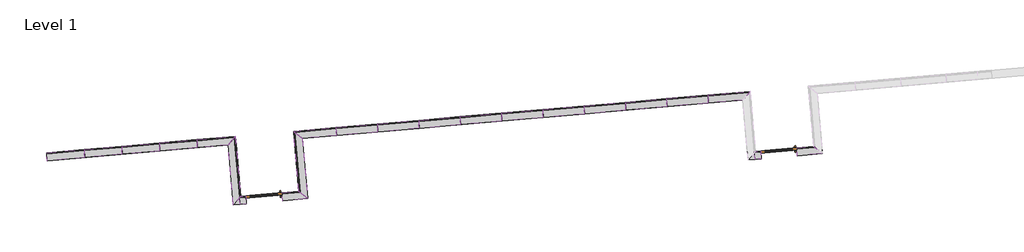
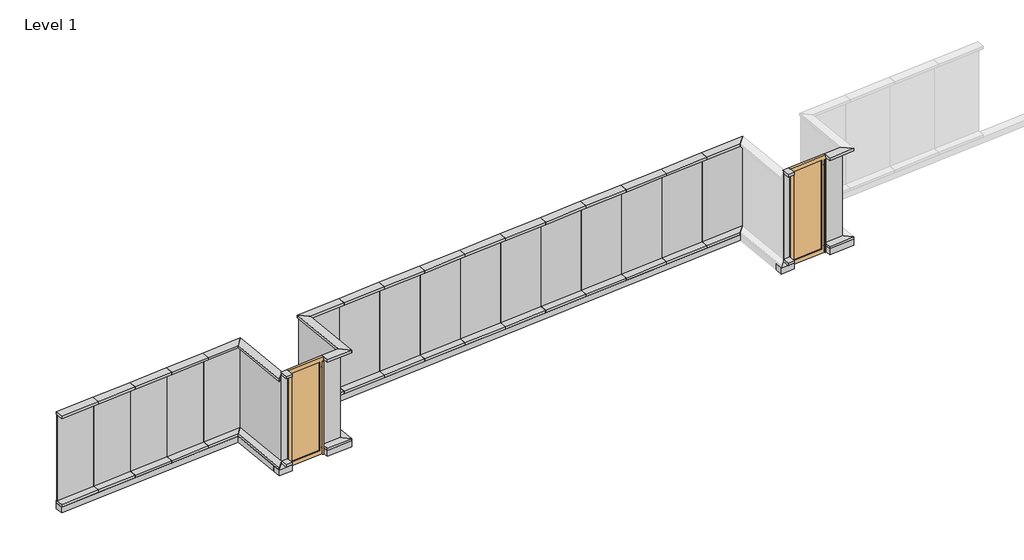
# One storey, part 1 of 2: 44 members, 30 plates, 2 doors.
"""IFC4 building model written with IfcOpenShell, lengths in millimetres."""

import ifcopenshell
import ifcopenshell.guid

model = None  # the IFC model being written
_history = None  # IfcOwnerHistory: only IFC2X3 demands one
_inside = {}  # id of a spatial element -> (the spatial element, [elements in it])
_under = {}  # id of a project, library or spatial element -> (it, [spatial elements below it])
_declared = {}  # id of a project -> (the project, [libraries it declares])
_typed = {}  # id of a type object -> (the type object, [elements of that type])
_made_of = {}  # id of a material, layer set ... -> (it, [elements and type objects made of it])


def new_model(schema):
    """Start an empty IFC model of exactly this schema.

    Asked for "IFC4X3", IfcOpenShell would pick the latest addendum, in which some entities
    have other attributes; the version numbers below select the first issue.
    IFC2X3 requires an IfcOwnerHistory on every rooted entity: one is made here for all.
    """
    global model, _history
    if schema == "IFC4X3":
        model = ifcopenshell.file(schema_version=(4, 3, 0, 0))
    else:
        model = ifcopenshell.file(schema=schema)
    _inside.clear()
    _under.clear()
    _declared.clear()
    _typed.clear()
    _made_of.clear()
    _history = None
    if model.schema == "IFC2X3":
        org = make("IfcOrganization", Name="unknown")
        user = make(
            "IfcPersonAndOrganization",
            ThePerson=make("IfcPerson", FamilyName="unknown"),
            TheOrganization=org,
        )
        app = make(
            "IfcApplication",
            ApplicationDeveloper=org,
            Version="unknown",
            ApplicationFullName="unknown",
            ApplicationIdentifier="unknown",
        )
        _history = make(
            "IfcOwnerHistory",
            OwningUser=user,
            OwningApplication=app,
            ChangeAction="ADDED",
            CreationDate=0,
        )
    return model


def make(cls, **values):
    """One entity of the class cls with the attributes given. An attribute that is None is left unset."""
    return model.create_entity(
        cls, **{name: value for name, value in values.items() if value is not None}
    )


def rooted(cls, **values):
    """An entity with a GlobalId (a new one), such as an element, a storey or a relation."""
    return make(cls, GlobalId=ifcopenshell.guid.new(), OwnerHistory=_history, **values)


def si_unit(unit_type, name, prefix=None):
    """IfcSIUnit, for example si_unit("LENGTHUNIT", "METRE", prefix="MILLI")."""
    return make("IfcSIUnit", UnitType=unit_type, Prefix=prefix, Name=name)


def assignment(units):
    """IfcUnitAssignment: the units of a project."""
    return None if units is None else make("IfcUnitAssignment", Units=units)


def point(xyz):
    """IfcCartesianPoint."""
    return None if xyz is None else make("IfcCartesianPoint", Coordinates=xyz)


def direction(xyz):
    """IfcDirection."""
    return None if xyz is None else make("IfcDirection", DirectionRatios=xyz)


def frame(location, z_axis=None, x_axis=None):
    """IfcAxis2Placement3D, a coordinate frame: its origin and axes. An axis left out is left unset."""
    return make(
        "IfcAxis2Placement3D",
        Location=point(location),
        Axis=direction(z_axis),
        RefDirection=direction(x_axis),
    )


def frame_2d(location, x_axis=None):
    """IfcAxis2Placement2D, a coordinate frame in the plane: its origin and x axis."""
    return make(
        "IfcAxis2Placement2D", Location=point(location), RefDirection=direction(x_axis)
    )


def origin():
    """The frame at (0, 0, 0) with its axes left unset."""
    return frame((0.0, 0.0, 0.0))


def origin_with_axes():
    """The frame at (0, 0, 0) with the z axis (0, 0, 1) and the x axis (1, 0, 0) written out."""
    return frame((0.0, 0.0, 0.0), z_axis=(0.0, 0.0, 1.0), x_axis=(1.0, 0.0, 0.0))


def place(relative_to, where):
    """IfcLocalPlacement: puts the frame where relative to a parent placement (None: the world)."""
    return make(
        "IfcLocalPlacement", PlacementRelTo=relative_to, RelativePlacement=where
    )


def context(
    kind, dimensions, precision=None, world=None, true_north=None, identifier=None
):
    """IfcGeometricRepresentationContext, for example the 3D "Model" context."""
    return make(
        "IfcGeometricRepresentationContext",
        ContextIdentifier=identifier,
        ContextType=kind,
        CoordinateSpaceDimension=dimensions,
        Precision=precision,
        WorldCoordinateSystem=world,
        TrueNorth=true_north,
    )


def project(units=None, contexts=None):
    """IfcProject with its units and contexts."""
    return rooted(
        "IfcProject",
        Name="project",
        RepresentationContexts=contexts,
        UnitsInContext=assignment(units),
    )


def spatial(cls, under=None, at=None, **own):
    """A site, building, storey or space (cls), placed at a placement, below another one or the project."""
    s = rooted(cls, ObjectPlacement=at, **own)
    if under is not None:
        _under.setdefault(under.id(), (under, []))[1].append(s)
    return s


def polyline(points):
    """IfcPolyline through the points."""
    return make("IfcPolyline", Points=[point(p) for p in points])


def circle_curve(where, radius):
    """IfcCircle in the frame where."""
    return make("IfcCircle", Position=where, Radius=radius)


def trimmed(basis, trim1, trim2, sense, master):
    """IfcTrimmedCurve: the piece of a basis curve between two trims."""
    return make(
        "IfcTrimmedCurve",
        BasisCurve=basis,
        Trim1=trim1,
        Trim2=trim2,
        SenseAgreement=sense,
        MasterRepresentation=master,
    )


def segment(curve, same_sense, transition):
    """IfcCompositeCurveSegment."""
    return make(
        "IfcCompositeCurveSegment",
        Transition=transition,
        SameSense=same_sense,
        ParentCurve=curve,
    )


def composite_curve(segments, self_intersect=None):
    """IfcCompositeCurve: segments joined end to end."""
    return make("IfcCompositeCurve", Segments=segments, SelfIntersect=self_intersect)


def outline(outer, holes=None, kind="AREA"):
    """IfcArbitraryClosedProfileDef: a profile drawn as a closed curve; with holes, ...WithVoids."""
    if holes is None:
        return make("IfcArbitraryClosedProfileDef", ProfileType=kind, OuterCurve=outer)
    return make(
        "IfcArbitraryProfileDefWithVoids",
        ProfileType=kind,
        OuterCurve=outer,
        InnerCurves=holes,
    )


def extrude(swept, where, along, depth):
    """IfcExtrudedAreaSolid: the profile swept, set in the frame where, extruded along a direction by depth."""
    return make(
        "IfcExtrudedAreaSolid",
        SweptArea=swept,
        Position=where,
        ExtrudedDirection=direction(along),
        Depth=depth,
    )


def faces_of(points, faces, orient=None, outer=None):
    """IfcFace entities. A face is a list of loops; a loop is a list of indices into points, from 0.

    orient and outer hold one flag for each loop. By default every Orientation is true, the
    first loop of a face is its IfcFaceOuterBound and the others are IfcFaceBound.
    """
    made = []
    for i, loops in enumerate(faces):
        bounds = []
        for j, loop in enumerate(loops):
            is_outer = j == 0 if outer is None else outer[i][j]
            bounds.append(
                make(
                    "IfcFaceOuterBound" if is_outer else "IfcFaceBound",
                    Bound=make("IfcPolyLoop", Polygon=[points[k] for k in loop]),
                    Orientation=True if orient is None else orient[i][j],
                )
            )
        made.append(make("IfcFace", Bounds=bounds))
    return made


def faceted_brep(points, faces, orient=None, outer=None, voids=None):
    """IfcFacetedBrep: a solid bounded by flat faces; with voids (closed shells), ...WithVoids."""
    shared = [point(p) for p in points]
    hull = make("IfcClosedShell", CfsFaces=faces_of(shared, faces, orient, outer))
    if voids is None:
        return make("IfcFacetedBrep", Outer=hull)
    return make(
        "IfcFacetedBrepWithVoids",
        Outer=hull,
        Voids=[
            make(cls, CfsFaces=faces_of(shared, fs, o, b)) for cls, fs, o, b in voids
        ],
    )


def shape(context_of_items, identifier, shape_type, items):
    """IfcShapeRepresentation: the items that make up one representation, for example the "Body"."""
    return make(
        "IfcShapeRepresentation",
        ContextOfItems=context_of_items,
        RepresentationIdentifier=identifier,
        RepresentationType=shape_type,
        Items=items,
    )


def source(mapping_origin, context_of_items, identifier, shape_type, items):
    """IfcRepresentationMap: a shape defined once, which mapped items show again and again."""
    return make(
        "IfcRepresentationMap",
        MappingOrigin=mapping_origin,
        MappedRepresentation=shape(context_of_items, identifier, shape_type, items),
    )


def transform(
    local_origin,
    x_axis=None,
    y_axis=None,
    z_axis=None,
    scale=None,
    scale2=None,
    scale3=None,
    uniform=True,
):
    """IfcCartesianTransformationOperator3D, or its non-uniform kind. x_axis, y_axis, z_axis: its Axis1, 2, 3."""
    if uniform:
        return make(
            "IfcCartesianTransformationOperator3D",
            Axis1=direction(x_axis),
            Axis2=direction(y_axis),
            LocalOrigin=point(local_origin),
            Scale=scale,
            Axis3=direction(z_axis),
        )
    return make(
        "IfcCartesianTransformationOperator3DnonUniform",
        Axis1=direction(x_axis),
        Axis2=direction(y_axis),
        LocalOrigin=point(local_origin),
        Scale=scale,
        Axis3=direction(z_axis),
        Scale2=scale2,
        Scale3=scale3,
    )


def mapped(mapping_source, mapping_target):
    """IfcMappedItem: shows the shape of a source again, moved by a transform."""
    return make(
        "IfcMappedItem", MappingSource=mapping_source, MappingTarget=mapping_target
    )


def made_of(thing, what):
    """Note that an element or type object is made of a material, layer set ...; save() writes the relation."""
    if what is not None:
        _made_of.setdefault(what.id(), (what, []))[1].append(thing)
    return thing


def element(
    cls,
    number,
    at=None,
    inside=None,
    cuts=None,
    type_object=None,
    material=None,
    context=None,
    identifier="Body",
    shape_type=None,
    held_by="IfcProductDefinitionShape",
    body=None,
    shapes=None,
    **own,
):
    """One element of the class cls, such as IfcWall. Its Tag is "e" and its number.

    at: its placement. inside: the storey or other place that contains it. cuts: it is an
    opening in that element (IfcRelVoidsElement). A single representation is given by context,
    identifier, shape_type and body (its items); several are given by shapes. held_by: the class
    of the entity that holds the representations. save() writes the other relations.
    """
    e = rooted(cls, Tag="e%d" % number, ObjectPlacement=at, **own)
    if body is not None:
        shapes = [shape(context, identifier, shape_type, body)]
    if shapes is not None:
        e.Representation = make(held_by, Representations=shapes)
    if inside is not None:
        _inside.setdefault(inside.id(), (inside, []))[1].append(e)
    if cuts is not None:
        rooted(
            "IfcRelVoidsElement", RelatingBuildingElement=cuts, RelatedOpeningElement=e
        )
    if type_object is not None:
        _typed.setdefault(type_object.id(), (type_object, []))[1].append(e)
    return made_of(e, material)


def aggregate(whole, parts):
    """IfcRelAggregates: a whole, such as a stair, and the parts it consists of."""
    return rooted("IfcRelAggregates", RelatingObject=whole, RelatedObjects=parts)


def save(model, path):
    """Write the relations noted so far, then the file.

    IfcRelAggregates (storeys below a building ...), IfcRelContainedInSpatialStructure (elements
    in a storey), IfcRelDefinesByType, IfcRelAssociatesMaterial and IfcRelDeclares: one each for
    every whole, place, type object, material and project.
    """
    for whole, parts in _under.values():
        aggregate(whole, parts)
    for where, things in _inside.values():
        rooted(
            "IfcRelContainedInSpatialStructure",
            RelatedElements=things,
            RelatingStructure=where,
        )
    for kind, things in _typed.values():
        rooted("IfcRelDefinesByType", RelatedObjects=things, RelatingType=kind)
    for what, things in _made_of.values():
        rooted("IfcRelAssociatesMaterial", RelatedObjects=things, RelatingMaterial=what)
    for by, libraries in _declared.values():
        rooted("IfcRelDeclares", RelatingContext=by, RelatedDefinitions=libraries)
    model.write(path)


def default_exterior_e820c0bc(model_context):
    return source(origin(), model_context, "Body", "SweptSolid", [
        extrude(outline(composite_curve([segment(trimmed(circle_curve(frame_2d((2260.6, -419.4)), 15.875), [point((2260.6, -435.275))], [point((2260.6, -403.525))], False, "CARTESIAN"), True, "CONTINUOUS"), segment(trimmed(circle_curve(frame_2d((2260.6, -419.4)), 15.875), [point((2260.6, -403.525))], [point((2260.6, -435.275))], False, "CARTESIAN"), True, "CONTINUOUS")], self_intersect=False)), frame((0.0, -69.7914438, 0.0), z_axis=(0.0, 1.0, 0.0), x_axis=(0.0, 0.0, 1.0)), (0.0, 0.0, 1.0), 139.7),
        extrude(outline(composite_curve([segment(trimmed(circle_curve(frame_2d((177.8, -419.4)), 15.875), [point((177.8, -435.275))], [point((177.8, -403.525))], False, "CARTESIAN"), True, "CONTINUOUS"), segment(trimmed(circle_curve(frame_2d((177.8, -419.4)), 15.875), [point((177.8, -403.525))], [point((177.8, -435.275))], False, "CARTESIAN"), True, "CONTINUOUS")], self_intersect=False)), frame((0.0, -69.7914438, 0.0), z_axis=(0.0, 1.0, 0.0), x_axis=(0.0, 0.0, 1.0)), (0.0, 0.0, 1.0), 139.7),
        extrude(outline(composite_curve([segment(trimmed(circle_curve(frame_2d((-419.4, -69.7914438)), 15.875), [point((-435.275, -69.7914438))], [point((-403.525, -69.7914438))], False, "CARTESIAN"), True, "CONTINUOUS"), segment(trimmed(circle_curve(frame_2d((-419.4, -69.7914438)), 15.875), [point((-403.525, -69.7914438))], [point((-435.275, -69.7914438))], False, "CARTESIAN"), True, "CONTINUOUS")], self_intersect=False)), frame((0.0, 0.0, 25.4), z_axis=(0.0, 0.0, 1.0), x_axis=(1.0, 0.0, 0.0)), (0.0, 0.0, 1.0), 2387.6),
        extrude(outline(composite_curve([segment(trimmed(circle_curve(frame_2d((-419.4, 69.9085562)), 15.875), [point((-435.275, 69.9085562))], [point((-403.525, 69.9085562))], False, "CARTESIAN"), True, "CONTINUOUS"), segment(trimmed(circle_curve(frame_2d((-419.4, 69.9085562)), 15.875), [point((-403.525, 69.9085562))], [point((-435.275, 69.9085562))], False, "CARTESIAN"), True, "CONTINUOUS")], self_intersect=False)), frame((0.0, 0.0, 25.4), z_axis=(0.0, 0.0, 1.0), x_axis=(1.0, 0.0, 0.0)), (0.0, 0.0, 1.0), 2387.6),
        extrude(outline(polyline([(2500.0, -457.5), (0.0, -457.5), (0.0, 457.5), (2500.0, 457.5), (2500.0, -457.5)]), holes=[polyline([(2398.4, -355.9), (2398.4, 355.9), (101.6, 355.9), (101.6, -355.9), (2398.4, -355.9)])]), frame((0.0, -28.5164438, 0.0), z_axis=(0.0, 1.0, 0.0), x_axis=(0.0, 0.0, 1.0)), (0.0, 0.0, 1.0), 57.15),
        extrude(outline(polyline([(355.9, -6.2914438), (-355.9, -6.2914438), (-355.9, 6.4085562), (355.9, 6.4085562), (355.9, -6.2914438)])), frame((0.0, 0.0, 101.6), z_axis=(0.0, 0.0, 1.0), x_axis=(1.0, 0.0, 0.0)), (0.0, 0.0, 1.0), 2296.8),
    ])


def member_bf1dcb7f(model_context):
    return source(origin(), model_context, "Body", "SweptSolid", [
        extrude(outline(polyline([(-174.2, 0.0), (25.8, 0.0), (25.8, -427.5651583), (-174.2, -627.5651583), (-174.2, 0.0)])), frame((-31.75, 0.0, 0.0), z_axis=(1.0, 0.0, 0.0), x_axis=(0.0, 1.0, 0.0)), (0.0, 0.0, 1.0), 63.5),
    ])


def member_de4b496f(model_context):
    return source(origin(), model_context, "Body", "SweptSolid", [
        extrude(outline(polyline([(-174.2, 0.0), (25.8, 0.0), (25.8, -427.5651583), (-174.2, -627.5651583), (-174.2, 0.0)])), frame((-63.5, 0.0, 0.0), z_axis=(1.0, 0.0, 0.0), x_axis=(0.0, 1.0, 0.0)), (0.0, 0.0, 1.0), 63.5),
    ])


def member_f85960a3(model_context):
    return source(origin(), model_context, "Body", "SweptSolid", [
        extrude(outline(polyline([(-174.2, 0.0), (25.8, 0.0), (25.8, -1069.0727273), (-174.2, -869.0727273), (-174.2, 0.0)])), frame((-31.75, 0.0, 0.0), z_axis=(1.0, 0.0, 0.0), x_axis=(0.0, 1.0, 0.0)), (0.0, 0.0, 1.0), 63.5),
    ])


def member_0b9f2bf7(model_context):
    return source(origin(), model_context, "Body", "SweptSolid", [
        extrude(outline(polyline([(31.75, 25.8), (31.75, -174.2), (-31.75, -174.2), (-31.75, 25.8), (31.75, 25.8)])), frame((0.0, 0.0, -155.6348417), z_axis=(0.0, 0.0, 1.0), x_axis=(1.0, 0.0, 0.0)), (0.0, 0.0, 1.0), 155.6348417),
    ])


def member_72aeac7f(model_context):
    return source(origin(), model_context, "Body", "SweptSolid", [
        extrude(outline(polyline([(-174.2, 0.0), (25.8, 0.0), (25.8, -1069.0727273), (-174.2, -869.0727273), (-174.2, 0.0)])), frame((-63.5, 0.0, 0.0), z_axis=(1.0, 0.0, 0.0), x_axis=(0.0, 1.0, 0.0)), (0.0, 0.0, 1.0), 63.5),
    ])


def member_4003926b(model_context):
    return source(origin(), model_context, "Body", "SweptSolid", [
        extrude(outline(polyline([(0.0, 25.8), (0.0, -174.2), (-63.5, -174.2), (-63.5, 25.8), (0.0, 25.8)])), frame((0.0, 0.0, -155.6348417), z_axis=(0.0, 0.0, 1.0), x_axis=(1.0, 0.0, 0.0)), (0.0, 0.0, 1.0), 155.6348417),
    ])


def member_6dfb9e33(model_context):
    return source(origin(), model_context, "Body", "SweptSolid", [
        extrude(outline(polyline([(31.75, 25.8), (31.75, -174.2), (-31.75, -174.2), (-31.75, 25.8), (31.75, 25.8)])), frame((0.0, 0.0, -155.8336393), z_axis=(0.0, 0.0, 1.0), x_axis=(1.0, 0.0, 0.0)), (0.0, 0.0, 1.0), 155.8336393),
    ])


def member_e1d60663(model_context):
    return source(origin(), model_context, "Body", "SweptSolid", [
        extrude(outline(polyline([(0.0, 25.8), (0.0, -174.2), (-63.5, -174.2), (-63.5, 25.8), (0.0, 25.8)])), frame((0.0, 0.0, -155.8336393), z_axis=(0.0, 0.0, 1.0), x_axis=(1.0, 0.0, 0.0)), (0.0, 0.0, 1.0), 155.8336393),
    ])


def member_cd596ea5(model_context):
    return source(origin(), model_context, "Body", "SweptSolid", [
        extrude(outline(polyline([(-174.2, -174.2), (25.8, 25.8), (25.8, -1043.2727273), (-174.2, -1043.2727273), (-174.2, -174.2)])), frame((-31.75, 0.0, 0.0), z_axis=(1.0, 0.0, 0.0), x_axis=(0.0, 1.0, 0.0)), (0.0, 0.0, 1.0), 63.5),
    ])


def member_ed238f10(model_context):
    return source(origin(), model_context, "Body", "SweptSolid", [
        extrude(outline(polyline([(-174.2, -174.2), (25.8, 25.8), (25.8, -1043.2727273), (-174.2, -1043.2727273), (-174.2, -174.2)])), frame((-63.5, 0.0, 0.0), z_axis=(1.0, 0.0, 0.0), x_axis=(0.0, 1.0, 0.0)), (0.0, 0.0, 1.0), 63.5),
    ])


def member_2f89b74d(model_context):
    return source(origin(), model_context, "Body", "SweptSolid", [
        extrude(outline(polyline([(-174.2, 0.0), (25.8, 0.0), (25.8, -974.0701127), (-174.2, -774.0701127), (-174.2, 0.0)])), frame((-31.75, 0.0, 0.0), z_axis=(1.0, 0.0, 0.0), x_axis=(0.0, 1.0, 0.0)), (0.0, 0.0, 1.0), 63.5),
    ])


def member_6a188241(model_context):
    return source(origin(), model_context, "Body", "SweptSolid", [
        extrude(outline(polyline([(-174.2, 0.0), (25.8, 0.0), (25.8, -974.0701127), (-174.2, -774.0701127), (-174.2, 0.0)])), frame((-63.5, 0.0, 0.0), z_axis=(1.0, 0.0, 0.0), x_axis=(0.0, 1.0, 0.0)), (0.0, 0.0, 1.0), 63.5),
    ])


def member_17495601(model_context):
    return source(origin(), model_context, "Body", "SweptSolid", [
        extrude(outline(polyline([(31.75, 25.8), (31.75, -174.2), (-31.75, -174.2), (-31.75, 25.8), (31.75, 25.8)])), frame((0.0, 0.0, -948.2701127), z_axis=(0.0, 0.0, 1.0), x_axis=(1.0, 0.0, 0.0)), (0.0, 0.0, 1.0), 948.2701127),
    ])


def member_7cb49b78(model_context):
    return source(origin(), model_context, "Body", "SweptSolid", [
        extrude(outline(polyline([(0.0, 25.8), (0.0, -174.2), (-63.5, -174.2), (-63.5, 25.8), (0.0, 25.8)])), frame((0.0, 0.0, -948.2701127), z_axis=(0.0, 0.0, 1.0), x_axis=(1.0, 0.0, 0.0)), (0.0, 0.0, 1.0), 948.2701127),
    ])


def member_1651fdf5(model_context):
    return source(origin(), model_context, "Body", "SweptSolid", [
        extrude(outline(polyline([(31.75, 25.8), (31.75, -174.2), (-31.75, -174.2), (-31.75, 25.8), (31.75, 25.8)])), frame((0.0, 0.0, -1043.2727273), z_axis=(0.0, 0.0, 1.0), x_axis=(1.0, 0.0, 0.0)), (0.0, 0.0, 1.0), 1043.2727273),
    ])


def member_1639ed24(model_context):
    return source(origin(), model_context, "Body", "SweptSolid", [
        extrude(outline(polyline([(0.0, 25.8), (0.0, -174.2), (-63.5, -174.2), (-63.5, 25.8), (0.0, 25.8)])), frame((0.0, 0.0, -1043.2727273), z_axis=(0.0, 0.0, 1.0), x_axis=(1.0, 0.0, 0.0)), (0.0, 0.0, 1.0), 1043.2727273),
    ])


def member_718ea3aa(model_context):
    return source(origin(), model_context, "Body", "SweptSolid", [
        extrude(outline(polyline([(-25.8, -25.8), (174.2, 174.2), (174.2, -1346.8), (-25.8, -1546.8), (-25.8, -25.8)])), frame((-31.75, 0.0, 0.0), z_axis=(1.0, 0.0, 0.0), x_axis=(0.0, 1.0, 0.0)), (0.0, 0.0, 1.0), 63.5),
    ])


def member_cdd132fe(model_context):
    return source(origin(), model_context, "Body", "SweptSolid", [
        extrude(outline(polyline([(-174.2, 0.0), (25.8, 0.0), (25.8, -427.3663607), (-174.2, -627.3663607), (-174.2, 0.0)])), frame((-31.75, 0.0, 0.0), z_axis=(1.0, 0.0, 0.0), x_axis=(0.0, 1.0, 0.0)), (0.0, 0.0, 1.0), 63.5),
    ])


def member_0615c0a7(model_context):
    return source(origin(), model_context, "Body", "SweptSolid", [
        extrude(outline(polyline([(-174.2, 174.2), (25.8, -25.8), (25.8, -1546.8), (-174.2, -1346.8), (-174.2, 174.2)])), frame((-31.75, 0.0, 0.0), z_axis=(1.0, 0.0, 0.0), x_axis=(0.0, 1.0, 0.0)), (0.0, 0.0, 1.0), 63.5),
    ])


def member_6a401516(model_context):
    return source(origin(), model_context, "Body", "SweptSolid", [
        extrude(outline(polyline([(-25.8, -25.8), (174.2, 174.2), (174.2, -1346.8), (-25.8, -1546.8), (-25.8, -25.8)])), frame((-63.5, 0.0, 0.0), z_axis=(1.0, 0.0, 0.0), x_axis=(0.0, 1.0, 0.0)), (0.0, 0.0, 1.0), 63.5),
    ])


def member_1cb5ee0a(model_context):
    return source(origin(), model_context, "Body", "SweptSolid", [
        extrude(outline(polyline([(-174.2, 0.0), (25.8, 0.0), (25.8, -427.3663607), (-174.2, -627.3663607), (-174.2, 0.0)])), frame((-63.5, 0.0, 0.0), z_axis=(1.0, 0.0, 0.0), x_axis=(0.0, 1.0, 0.0)), (0.0, 0.0, 1.0), 63.5),
    ])


def member_34f72601(model_context):
    return source(origin(), model_context, "Body", "SweptSolid", [
        extrude(outline(polyline([(-174.2, 174.2), (25.8, -25.8), (25.8, -1546.8), (-174.2, -1346.8), (-174.2, 174.2)])), frame((-63.5, 0.0, 0.0), z_axis=(1.0, 0.0, 0.0), x_axis=(0.0, 1.0, 0.0)), (0.0, 0.0, 1.0), 63.5),
    ])


def plate_d8eec48d(model_context):
    return source(origin(), model_context, "Body", "SweptSolid", [
        extrude(outline(polyline([(474.1350564, -11.55), (-474.1350564, -11.55), (-474.1350564, 1.95), (474.1350564, 1.95), (474.1350564, -11.55)])), origin_with_axes(), (0.0, 0.0, 1.0), 2223.15),
    ])


def plate_4318dd4a(model_context):
    return source(origin(), model_context, "Body", "SweptSolid", [
        extrude(outline(polyline([(760.5, -1.95), (-760.5, -1.95), (-760.5, 11.55), (760.5, 11.55), (760.5, -1.95)])), origin_with_axes(), (0.0, 0.0, 1.0), 2223.15),
    ])


def plate_c65b580c(model_context):
    return source(origin(), model_context, "Body", "SweptSolid", [
        extrude(outline(polyline([(226.5831804, -11.55), (-226.5831804, -11.55), (-226.5831804, 1.95), (226.5831804, 1.95), (226.5831804, -11.55)])), origin_with_axes(), (0.0, 0.0, 1.0), 2223.15),
    ])


def plate_d5b5adbc(model_context):
    return source(origin(), model_context, "Body", "SweptSolid", [
        extrude(outline(polyline([(521.6363636, -11.55), (-521.6363636, -11.55), (-521.6363636, 1.95), (521.6363636, 1.95), (521.6363636, -11.55)])), origin_with_axes(), (0.0, 0.0, 1.0), 2223.15),
    ])


def plate_a80c2198(model_context):
    return source(origin(), model_context, "Body", "SweptSolid", [
        extrude(outline(polyline([(760.5, -11.55), (-760.5, -11.55), (-760.5, 1.95), (760.5, 1.95), (760.5, -11.55)])), origin_with_axes(), (0.0, 0.0, 1.0), 2223.15),
    ])


def plate_de199f6b(model_context):
    return source(origin(), model_context, "Body", "SweptSolid", [
        extrude(outline(polyline([(226.6825792, -11.55), (-226.6825792, -11.55), (-226.6825792, 1.95), (226.6825792, 1.95), (226.6825792, -11.55)])), origin_with_axes(), (0.0, 0.0, 1.0), 2223.15),
    ])


def plate_98b0744f(model_context):
    return source(origin(), model_context, "Body", "SweptSolid", [
        extrude(outline(polyline([(77.8174208, -11.55), (-77.8174208, -11.55), (-77.8174208, 1.95), (77.8174208, 1.95), (77.8174208, -11.55)])), origin_with_axes(), (0.0, 0.0, 1.0), 2223.15),
    ])


def plate_6f4833c7(model_context):
    return source(origin(), model_context, "Body", "SweptSolid", [
        extrude(outline(polyline([(77.9168196, -6.35), (-77.9168196, -6.35), (-77.9168196, 6.35), (77.9168196, 6.35), (77.9168196, -6.35)])), origin_with_axes(), (0.0, 0.0, 1.0), 2223.15),
    ])


model = new_model("IFC4")

# Units and contexts
model_context = context("Model", 3, world=origin())
ifc_project = project(units=[si_unit("LENGTHUNIT", "METRE", prefix="MILLI")], contexts=[model_context])

# Site, building, storey
site = spatial("IfcSite", under=ifc_project)
building = spatial("IfcBuilding", under=site)
storey = spatial("IfcBuildingStorey", under=building, Name="Level 1", Elevation=0.0)

# Doors
placement = place(None, origin())
default_exterior_shape = default_exterior_e820c0bc(model_context)
element("IfcDoor", 1, ObjectType="Default - Exterior", at=placement, inside=storey, context=model_context, shape_type="MappedRepresentation", body=[
    mapped(default_exterior_shape, transform((21863.5798352, -44538.3165552, 0.0), x_axis=(-0.9961946980917462, -0.08715574274765053, 0.0), y_axis=(0.08715574274765053, -0.9961946980917462, 0.0), z_axis=(0.0, 0.0, 1.0))),
])
element("IfcDoor", 2, ObjectType="Default - Exterior", at=placement, inside=storey, context=model_context, shape_type="MappedRepresentation", body=[
    mapped(default_exterior_shape, transform((8913.3540836, -45672.5501288, 0.0), x_axis=(-0.9961946980917457, -0.087155742747657, 0.0), y_axis=(0.087155742747657, -0.9961946980917457, 0.0), z_axis=(0.0, 0.0, 1.0))),
])

# Members
member_shape = member_bf1dcb7f(model_context)
element("IfcMember", 3, ObjectType="Rectangular Mullion : 2 1/2\" x 7 1/2\" - Snap Cap (Club)", at=placement, inside=storey, context=model_context, shape_type="MappedRepresentation", body=[
    mapped(member_shape, transform((22319.3389096, -44498.4428029, 181.6), x_axis=(0.0, 0.0, 1.0), y_axis=(-0.08715574274765184, 0.9961946980917462, 0.0), z_axis=(-0.9961946980917462, -0.08715574274765184, 0.0))),
])
member_2_shape = member_de4b496f(model_context)
element("IfcMember", 4, ObjectType="Rectangular Mullion : 2 1/2\" x 7 1/2\" - Snap Cap (Club)", at=placement, inside=storey, context=model_context, shape_type="MappedRepresentation", body=[
    mapped(member_2_shape, transform((22319.3389096, -44498.4428029, 2500.0), x_axis=(0.0, 0.0, 1.0), y_axis=(-0.08715574274765184, 0.9961946980917462, 0.0), z_axis=(-0.9961946980917462, -0.08715574274765184, 0.0))),
])
member_3_shape = member_f85960a3(model_context)
element("IfcMember", 5, ObjectType="Rectangular Mullion : 2 1/2\" x 7 1/2\" - Snap Cap (Club)", at=placement, inside=storey, context=model_context, shape_type="MappedRepresentation", body=[
    mapped(member_3_shape, transform((20081.0187949, -43168.6960956, 181.6), x_axis=(0.0, 0.0, 1.0), y_axis=(-0.0871557427476647, 0.996194698091745, 0.0), z_axis=(-0.996194698091745, -0.0871557427476647, 0.0))),
])
member_4_shape = member_0b9f2bf7(model_context)
element("IfcMember", 6, ObjectType="Rectangular Mullion : 2 1/2\" x 7 1/2\" - Snap Cap (Club)", at=placement, inside=storey, context=model_context, shape_type="MappedRepresentation", body=[
    mapped(member_4_shape, transform((21252.7781567, -44591.7547777, 181.6), x_axis=(0.0, 0.0, 1.0), y_axis=(-0.0871557427476256, 0.9961946980917484, 0.0), z_axis=(-0.9961946980917482, -0.08715574274762558, 0.0))),
])
member_5_shape = member_72aeac7f(model_context)
element("IfcMember", 7, ObjectType="Rectangular Mullion : 2 1/2\" x 7 1/2\" - Snap Cap (Club)", at=placement, inside=storey, context=model_context, shape_type="MappedRepresentation", body=[
    mapped(member_5_shape, transform((20081.0187949, -43168.6960956, 2500.0), x_axis=(0.0, 0.0, 1.0), y_axis=(-0.0871557427476647, 0.996194698091745, 0.0), z_axis=(-0.996194698091745, -0.0871557427476647, 0.0))),
])
member_6_shape = member_4003926b(model_context)
element("IfcMember", 8, ObjectType="Rectangular Mullion : 2 1/2\" x 7 1/2\" - Snap Cap (Club)", at=placement, inside=storey, context=model_context, shape_type="MappedRepresentation", body=[
    mapped(member_6_shape, transform((21252.7781567, -44591.7547777, 2500.0), x_axis=(0.0, 0.0, 1.0), y_axis=(-0.0871557427476256, 0.9961946980917484, 0.0), z_axis=(-0.9961946980917482, -0.08715574274762558, 0.0))),
])
member_7_shape = member_6dfb9e33(model_context)
element("IfcMember", 9, ObjectType="Rectangular Mullion : 2 1/2\" x 7 1/2\" - Snap Cap (Club)", at=placement, inside=storey, context=model_context, shape_type="MappedRepresentation", body=[
    mapped(member_7_shape, transform((8302.354364, -45726.0056777, 181.6), x_axis=(0.0, 0.0, 1.0), y_axis=(-0.08715574274762071, 0.9961946980917489, 0.0), z_axis=(-0.9961946980917489, -0.08715574274762071, 0.0))),
])
member_8_shape = member_e1d60663(model_context)
element("IfcMember", 10, ObjectType="Rectangular Mullion : 2 1/2\" x 7 1/2\" - Snap Cap (Club)", at=placement, inside=storey, context=model_context, shape_type="MappedRepresentation", body=[
    mapped(member_8_shape, transform((8302.354364, -45726.0056777, 2500.0), x_axis=(0.0, 0.0, 1.0), y_axis=(-0.08715574274762071, 0.9961946980917489, 0.0), z_axis=(-0.9961946980917489, -0.08715574274762071, 0.0))),
])
member_9_shape = member_cd596ea5(model_context)
element("IfcMember", 11, ObjectType="Rectangular Mullion : 2 1/2\" x 7 1/2\" - Snap Cap (Club)", at=placement, inside=storey, context=model_context, shape_type="MappedRepresentation", body=[
    mapped(member_9_shape, transform((9687.9911992, -44077.96819, 181.6), x_axis=(0.0, 0.0, 1.0), y_axis=(-0.08715574274765692, 0.9961946980917457, 0.0), z_axis=(-0.9961946980917457, -0.08715574274765692, 0.0))),
])
member_10_shape = member_ed238f10(model_context)
element("IfcMember", 12, ObjectType="Rectangular Mullion : 2 1/2\" x 7 1/2\" - Snap Cap (Club)", at=placement, inside=storey, context=model_context, shape_type="MappedRepresentation", body=[
    mapped(member_10_shape, transform((9687.9911992, -44077.96819, 2500.0), x_axis=(0.0, 0.0, 1.0), y_axis=(-0.08715574274765692, 0.9961946980917457, 0.0), z_axis=(-0.9961946980917457, -0.08715574274765692, 0.0))),
])
member_11_shape = member_2f89b74d(model_context)
element("IfcMember", 13, ObjectType="Rectangular Mullion : 2 1/2\" x 7 1/2\" - Snap Cap (Club)", at=placement, inside=storey, context=model_context, shape_type="MappedRepresentation", body=[
    mapped(member_11_shape, transform((7225.1288207, -44293.4407279, 181.6), x_axis=(0.0, 0.0, 1.0), y_axis=(-0.08715574274768915, 0.9961946980917429, 0.0), z_axis=(-0.9961946980917429, -0.08715574274768915, 0.0))),
])
member_12_shape = member_6a188241(model_context)
element("IfcMember", 14, ObjectType="Rectangular Mullion : 2 1/2\" x 7 1/2\" - Snap Cap (Club)", at=placement, inside=storey, context=model_context, shape_type="MappedRepresentation", body=[
    mapped(member_12_shape, transform((7225.1288207, -44293.4407279, 2500.0), x_axis=(0.0, 0.0, 1.0), y_axis=(-0.08715574274768915, 0.9961946980917429, 0.0), z_axis=(-0.9961946980917429, -0.08715574274768915, 0.0))),
])
member_13_shape = member_17495601(model_context)
element("IfcMember", 15, ObjectType="Rectangular Mullion : 2 1/2\" x 7 1/2\" - Snap Cap (Club)", at=placement, inside=storey, context=model_context, shape_type="MappedRepresentation", body=[
    mapped(member_13_shape, transform((5335.8055034, -44458.7350999, 181.6), x_axis=(0.0, 0.0, 1.0), y_axis=(-0.08715574274768936, 0.9961946980917429, 0.0), z_axis=(-0.9961946980917429, -0.08715574274768936, 0.0))),
])
element("IfcMember", 16, ObjectType="Rectangular Mullion : 2 1/2\" x 7 1/2\" - Snap Cap (Club)", at=placement, inside=storey, context=model_context, shape_type="MappedRepresentation", body=[
    mapped(member_13_shape, transform((6280.467162, -44376.0879139, 181.6), x_axis=(0.0, 0.0, 1.0), y_axis=(-0.08715574274769852, 0.996194698091742, 0.0), z_axis=(-0.996194698091742, -0.08715574274769852, 0.0))),
])
element("IfcMember", 17, ObjectType="Rectangular Mullion : 2 1/2\" x 7 1/2\" - Snap Cap (Club)", at=placement, inside=storey, context=model_context, shape_type="MappedRepresentation", body=[
    mapped(member_13_shape, transform((4391.1438447, -44541.3822859, 181.6), x_axis=(0.0, 0.0, 1.0), y_axis=(-0.08715574274768956, 0.9961946980917429, 0.0), z_axis=(-0.9961946980917429, -0.08715574274768956, 0.0))),
])
element("IfcMember", 18, ObjectType="Rectangular Mullion : 2 1/2\" x 7 1/2\" - Snap Cap (Club)", at=placement, inside=storey, context=model_context, shape_type="MappedRepresentation", body=[
    mapped(member_13_shape, transform((3446.4821861, -44624.0294719, 181.6), x_axis=(0.0, 0.0, 1.0), y_axis=(-0.08715574274769813, 0.9961946980917421, 0.0), z_axis=(-0.9961946980917421, -0.08715574274769813, 0.0))),
])
member_14_shape = member_7cb49b78(model_context)
element("IfcMember", 19, ObjectType="Rectangular Mullion : 2 1/2\" x 7 1/2\" - Snap Cap (Club)", at=placement, inside=storey, context=model_context, shape_type="MappedRepresentation", body=[
    mapped(member_14_shape, transform((5335.8055034, -44458.7350999, 2500.0), x_axis=(0.0, 0.0, 1.0), y_axis=(-0.08715574274768936, 0.9961946980917429, 0.0), z_axis=(-0.9961946980917429, -0.08715574274768936, 0.0))),
])
element("IfcMember", 20, ObjectType="Rectangular Mullion : 2 1/2\" x 7 1/2\" - Snap Cap (Club)", at=placement, inside=storey, context=model_context, shape_type="MappedRepresentation", body=[
    mapped(member_14_shape, transform((4391.1438447, -44541.3822859, 2500.0), x_axis=(0.0, 0.0, 1.0), y_axis=(-0.0871557427476895, 0.9961946980917429, 0.0), z_axis=(-0.9961946980917429, -0.0871557427476895, 0.0))),
])
element("IfcMember", 21, ObjectType="Rectangular Mullion : 2 1/2\" x 7 1/2\" - Snap Cap (Club)", at=placement, inside=storey, context=model_context, shape_type="MappedRepresentation", body=[
    mapped(member_14_shape, transform((6280.467162, -44376.0879139, 2500.0), x_axis=(0.0, 0.0, 1.0), y_axis=(-0.08715574274769862, 0.996194698091742, 0.0), z_axis=(-0.996194698091742, -0.08715574274769862, 0.0))),
])
element("IfcMember", 22, ObjectType="Rectangular Mullion : 2 1/2\" x 7 1/2\" - Snap Cap (Club)", at=placement, inside=storey, context=model_context, shape_type="MappedRepresentation", body=[
    mapped(member_14_shape, transform((3446.4821861, -44624.0294719, 2500.0), x_axis=(0.0, 0.0, 1.0), y_axis=(-0.08715574274769823, 0.9961946980917421, 0.0), z_axis=(-0.996194698091742, -0.08715574274769822, 0.0))),
])
member_15_shape = member_1651fdf5(model_context)
element("IfcMember", 23, ObjectType="Rectangular Mullion : 2 1/2\" x 7 1/2\" - Snap Cap (Club)", at=placement, inside=storey, context=model_context, shape_type="MappedRepresentation", body=[
    mapped(member_15_shape, transform((13845.2022375, -43714.2593522, 181.6), x_axis=(0.0, 0.0, 1.0), y_axis=(-0.08715574274766506, 0.996194698091745, 0.0), z_axis=(-0.996194698091745, -0.08715574274766506, 0.0))),
])
element("IfcMember", 24, ObjectType="Rectangular Mullion : 2 1/2\" x 7 1/2\" - Snap Cap (Club)", at=placement, inside=storey, context=model_context, shape_type="MappedRepresentation", body=[
    mapped(member_15_shape, transform((15923.8077566, -43532.4049334, 181.6), x_axis=(0.0, 0.0, 1.0), y_axis=(-0.08715574274765682, 0.9961946980917457, 0.0), z_axis=(-0.9961946980917457, -0.08715574274765682, 0.0))),
])
element("IfcMember", 25, ObjectType="Rectangular Mullion : 2 1/2\" x 7 1/2\" - Snap Cap (Club)", at=placement, inside=storey, context=model_context, shape_type="MappedRepresentation", body=[
    mapped(member_15_shape, transform((12805.8994779, -43805.1865617, 181.6), x_axis=(0.0, 0.0, 1.0), y_axis=(-0.08715574274765664, 0.9961946980917457, 0.0), z_axis=(-0.9961946980917457, -0.08715574274765664, 0.0))),
])
element("IfcMember", 26, ObjectType="Rectangular Mullion : 2 1/2\" x 7 1/2\" - Snap Cap (Club)", at=placement, inside=storey, context=model_context, shape_type="MappedRepresentation", body=[
    mapped(member_15_shape, transform((14884.5049971, -43623.3321428, 181.6), x_axis=(0.0, 0.0, 1.0), y_axis=(-0.08715574274765682, 0.9961946980917457, 0.0), z_axis=(-0.9961946980917457, -0.08715574274765682, 0.0))),
])
element("IfcMember", 27, ObjectType="Rectangular Mullion : 2 1/2\" x 7 1/2\" - Snap Cap (Club)", at=placement, inside=storey, context=model_context, shape_type="MappedRepresentation", body=[
    mapped(member_15_shape, transform((11766.5967183, -43896.1137711, 181.6), x_axis=(0.0, 0.0, 1.0), y_axis=(-0.08715574274765664, 0.9961946980917457, 0.0), z_axis=(-0.9961946980917457, -0.08715574274765664, 0.0))),
])
element("IfcMember", 28, ObjectType="Rectangular Mullion : 2 1/2\" x 7 1/2\" - Snap Cap (Club)", at=placement, inside=storey, context=model_context, shape_type="MappedRepresentation", body=[
    mapped(member_15_shape, transform((16963.1105162, -43441.4777239, 181.6), x_axis=(0.0, 0.0, 1.0), y_axis=(-0.08715574274765682, 0.9961946980917457, 0.0), z_axis=(-0.9961946980917457, -0.08715574274765682, 0.0))),
])
element("IfcMember", 29, ObjectType="Rectangular Mullion : 2 1/2\" x 7 1/2\" - Snap Cap (Club)", at=placement, inside=storey, context=model_context, shape_type="MappedRepresentation", body=[
    mapped(member_15_shape, transform((10727.2939588, -43987.0409805, 181.6), x_axis=(0.0, 0.0, 1.0), y_axis=(-0.087155742747657, 0.9961946980917457, 0.0), z_axis=(-0.9961946980917457, -0.087155742747657, 0.0))),
])
element("IfcMember", 30, ObjectType="Rectangular Mullion : 2 1/2\" x 7 1/2\" - Snap Cap (Club)", at=placement, inside=storey, context=model_context, shape_type="MappedRepresentation", body=[
    mapped(member_15_shape, transform((18002.4132758, -43350.5505145, 181.6), x_axis=(0.0, 0.0, 1.0), y_axis=(-0.08715574274765664, 0.9961946980917457, 0.0), z_axis=(-0.9961946980917457, -0.08715574274765664, 0.0))),
])
element("IfcMember", 31, ObjectType="Rectangular Mullion : 2 1/2\" x 7 1/2\" - Snap Cap (Club)", at=placement, inside=storey, context=model_context, shape_type="MappedRepresentation", body=[
    mapped(member_15_shape, transform((19041.7160353, -43259.623305, 181.6), x_axis=(0.0, 0.0, 1.0), y_axis=(-0.087155742747657, 0.9961946980917457, 0.0), z_axis=(-0.9961946980917457, -0.087155742747657, 0.0))),
])
member_16_shape = member_1639ed24(model_context)
element("IfcMember", 32, ObjectType="Rectangular Mullion : 2 1/2\" x 7 1/2\" - Snap Cap (Club)", at=placement, inside=storey, context=model_context, shape_type="MappedRepresentation", body=[
    mapped(member_16_shape, transform((12805.8994779, -43805.1865617, 2500.0), x_axis=(0.0, 0.0, 1.0), y_axis=(-0.08715574274765664, 0.9961946980917457, 0.0), z_axis=(-0.9961946980917457, -0.08715574274765664, 0.0))),
])
element("IfcMember", 33, ObjectType="Rectangular Mullion : 2 1/2\" x 7 1/2\" - Snap Cap (Club)", at=placement, inside=storey, context=model_context, shape_type="MappedRepresentation", body=[
    mapped(member_16_shape, transform((11766.5967183, -43896.1137711, 2500.0), x_axis=(0.0, 0.0, 1.0), y_axis=(-0.08715574274765664, 0.9961946980917457, 0.0), z_axis=(-0.9961946980917457, -0.08715574274765664, 0.0))),
])
element("IfcMember", 34, ObjectType="Rectangular Mullion : 2 1/2\" x 7 1/2\" - Snap Cap (Club)", at=placement, inside=storey, context=model_context, shape_type="MappedRepresentation", body=[
    mapped(member_16_shape, transform((13845.2022375, -43714.2593522, 2500.0), x_axis=(0.0, 0.0, 1.0), y_axis=(-0.08715574274766506, 0.996194698091745, 0.0), z_axis=(-0.996194698091745, -0.08715574274766506, 0.0))),
])
element("IfcMember", 35, ObjectType="Rectangular Mullion : 2 1/2\" x 7 1/2\" - Snap Cap (Club)", at=placement, inside=storey, context=model_context, shape_type="MappedRepresentation", body=[
    mapped(member_16_shape, transform((16963.1105162, -43441.4777239, 2500.0), x_axis=(0.0, 0.0, 1.0), y_axis=(-0.08715574274765682, 0.9961946980917457, 0.0), z_axis=(-0.9961946980917457, -0.08715574274765682, 0.0))),
])
element("IfcMember", 36, ObjectType="Rectangular Mullion : 2 1/2\" x 7 1/2\" - Snap Cap (Club)", at=placement, inside=storey, context=model_context, shape_type="MappedRepresentation", body=[
    mapped(member_16_shape, transform((10727.2939588, -43987.0409805, 2500.0), x_axis=(0.0, 0.0, 1.0), y_axis=(-0.087155742747657, 0.9961946980917457, 0.0), z_axis=(-0.9961946980917457, -0.087155742747657, 0.0))),
])
element("IfcMember", 37, ObjectType="Rectangular Mullion : 2 1/2\" x 7 1/2\" - Snap Cap (Club)", at=placement, inside=storey, context=model_context, shape_type="MappedRepresentation", body=[
    mapped(member_16_shape, transform((14884.5049971, -43623.3321428, 2500.0), x_axis=(0.0, 0.0, 1.0), y_axis=(-0.08715574274765682, 0.9961946980917457, 0.0), z_axis=(-0.9961946980917457, -0.08715574274765682, 0.0))),
])
element("IfcMember", 38, ObjectType="Rectangular Mullion : 2 1/2\" x 7 1/2\" - Snap Cap (Club)", at=placement, inside=storey, context=model_context, shape_type="MappedRepresentation", body=[
    mapped(member_16_shape, transform((18002.4132758, -43350.5505145, 2500.0), x_axis=(0.0, 0.0, 1.0), y_axis=(-0.08715574274765682, 0.9961946980917457, 0.0), z_axis=(-0.9961946980917457, -0.08715574274765682, 0.0))),
])
element("IfcMember", 39, ObjectType="Rectangular Mullion : 2 1/2\" x 7 1/2\" - Snap Cap (Club)", at=placement, inside=storey, context=model_context, shape_type="MappedRepresentation", body=[
    mapped(member_16_shape, transform((19041.7160353, -43259.623305, 2500.0), x_axis=(0.0, 0.0, 1.0), y_axis=(-0.08715574274765682, 0.9961946980917457, 0.0), z_axis=(-0.9961946980917457, -0.08715574274765682, 0.0))),
])
element("IfcMember", 40, ObjectType="Rectangular Mullion : 2 1/2\" x 7 1/2\" - Snap Cap (Club)", at=placement, inside=storey, context=model_context, shape_type="MappedRepresentation", body=[
    mapped(member_16_shape, transform((15923.8077566, -43532.4049334, 2500.0), x_axis=(0.0, 0.0, 1.0), y_axis=(-0.08715574274765682, 0.9961946980917457, 0.0), z_axis=(-0.9961946980917457, -0.08715574274765682, 0.0))),
])
member_17_shape = member_718ea3aa(model_context)
element("IfcMember", 41, ObjectType="Rectangular Mullion : 2 1/2\" x 7 1/2\" - Snap Cap (Club)", at=placement, inside=storey, context=model_context, shape_type="MappedRepresentation", body=[
    mapped(member_17_shape, transform((8302.354364, -45726.0056777, 181.6), x_axis=(0.0, 0.0, 1.0), y_axis=(-0.996194698091746, -0.08715574274765417, 0.0), z_axis=(0.08715574274765417, -0.996194698091746, 0.0))),
])
member_18_shape = member_cdd132fe(model_context)
element("IfcMember", 42, ObjectType="Rectangular Mullion : 2 1/2\" x 7 1/2\" - Snap Cap (Club)", at=placement, inside=storey, context=model_context, shape_type="MappedRepresentation", body=[
    mapped(member_18_shape, transform((9369.113158, -45632.6763765, 181.6), x_axis=(0.0, 0.0, 1.0), y_axis=(-0.08715574274765622, 0.9961946980917458, 0.0), z_axis=(-0.9961946980917458, -0.08715574274765622, 0.0))),
])
member_19_shape = member_0615c0a7(model_context)
element("IfcMember", 43, ObjectType="Rectangular Mullion : 2 1/2\" x 7 1/2\" - Snap Cap (Club)", at=placement, inside=storey, context=model_context, shape_type="MappedRepresentation", body=[
    mapped(member_19_shape, transform((9820.5550839, -45593.1803258, 181.6), x_axis=(0.0, 0.0, 1.0), y_axis=(-0.9961946980917459, -0.08715574274765439, 0.0), z_axis=(0.08715574274765438, -0.9961946980917458, 0.0))),
])
member_20_shape = member_6a401516(model_context)
element("IfcMember", 44, ObjectType="Rectangular Mullion : 2 1/2\" x 7 1/2\" - Snap Cap (Club)", at=placement, inside=storey, context=model_context, shape_type="MappedRepresentation", body=[
    mapped(member_20_shape, transform((8302.354364, -45726.0056777, 2500.0), x_axis=(0.0, 0.0, 1.0), y_axis=(-0.996194698091746, -0.08715574274765417, 0.0), z_axis=(0.08715574274765417, -0.996194698091746, 0.0))),
])
member_21_shape = member_1cb5ee0a(model_context)
element("IfcMember", 45, ObjectType="Rectangular Mullion : 2 1/2\" x 7 1/2\" - Snap Cap (Club)", at=placement, inside=storey, context=model_context, shape_type="MappedRepresentation", body=[
    mapped(member_21_shape, transform((9369.113158, -45632.6763765, 2500.0), x_axis=(0.0, 0.0, 1.0), y_axis=(-0.08715574274765622, 0.9961946980917458, 0.0), z_axis=(-0.9961946980917458, -0.08715574274765622, 0.0))),
])
member_22_shape = member_34f72601(model_context)
element("IfcMember", 46, ObjectType="Rectangular Mullion : 2 1/2\" x 7 1/2\" - Snap Cap (Club)", at=placement, inside=storey, context=model_context, shape_type="MappedRepresentation", body=[
    mapped(member_22_shape, transform((9820.5550839, -45593.1803258, 2500.0), x_axis=(0.0, 0.0, 1.0), y_axis=(-0.9961946980917459, -0.08715574274765439, 0.0), z_axis=(0.08715574274765438, -0.9961946980917458, 0.0))),
])

# Plates
element("IfcPlate", 47, ObjectType="Partition Concrete 200mm", at=placement, inside=storey, context=model_context, shape_type="Brep", body=[
    faceted_brep([(8193.2436843, -44182.8431005, 0.0), (3444.2335679, -44598.3276487, 0.0), (3444.2335679, -44598.3276487, 149.85), (8193.2436843, -44182.8431005, 149.85), (8210.6748329, -44382.0820401, 0.0), (8210.6748329, -44382.0820401, 149.85), (8011.4358933, -44399.5131887, 149.85), (3461.6647165, -44797.5665883, 149.85), (3461.6647165, -44797.5665883, 0.0), (8011.4358933, -44399.5131887, 0.0)], [[[0, 1, 2, 3]], [[4, 5, 6, 7, 8, 9]], [[1, 0, 4, 9, 8]], [[2, 1, 8, 7]], [[3, 2, 7, 6, 5]], [[0, 3, 5, 4]]]),
])
element("IfcPlate", 48, ObjectType="Partition Concrete 200mm", at=placement, inside=storey, context=model_context, shape_type="SweptSolid", body=[
    extrude(outline(polyline([(8126.5686294, -45715.4863849), (8011.4358933, -44399.5131887), (8210.6748329, -44382.0820401), (8325.8075691, -45698.0552363), (8126.5686294, -45715.4863849)])), origin_with_axes(), (0.0, 0.0, 1.0), 149.85),
])
element("IfcPlate", 49, ObjectType="Partition Concrete 200mm", at=placement, inside=storey, context=model_context, shape_type="Brep", body=[
    faceted_brep([(21143.7747595, -43049.8184448, 0.0), (9660.0407578, -44054.5149849, 0.0), (9660.0407578, -44054.5149849, 149.85), (21143.7747595, -43049.8184448, 149.85), (21161.2059081, -43249.0573844, 0.0), (21161.2059081, -43249.0573844, 149.85), (20961.9669685, -43266.488533, 149.85), (9876.710846, -44236.322776, 149.85), (9677.4719064, -44253.7539245, 149.85), (9677.4719064, -44253.7539245, 0.0), (9876.710846, -44236.322776, 0.0), (20961.9669685, -43266.488533, 0.0)], [[[0, 1, 2, 3]], [[4, 5, 6, 7, 8, 9, 10, 11]], [[1, 0, 4, 11, 10, 9]], [[3, 2, 8, 7, 6, 5]], [[2, 1, 9, 8]], [[0, 3, 5, 4]]]),
])
element("IfcPlate", 50, ObjectType="Partition Concrete 200mm", at=placement, inside=storey, context=model_context, shape_type="SweptSolid", body=[
    extrude(outline(polyline([(9792.6046425, -45569.7271207), (9677.4719064, -44253.7539245), (9876.710846, -44236.322776), (9991.8435822, -45552.2959722), (9792.6046425, -45569.7271207)])), origin_with_axes(), (0.0, 0.0, 1.0), 149.85),
])
element("IfcPlate", 51, ObjectType="Partition Concrete 200mm", at=placement, inside=storey, context=model_context, shape_type="Brep", body=[
    faceted_brep([(9991.8435822, -45552.2959722, 0.0), (9792.6046425, -45569.7271207, 0.0), (9366.8645398, -45606.9745533, 0.0), (9366.8645398, -45606.9745533, 149.85), (9792.6046425, -45569.7271207, 149.85), (9991.8435822, -45552.2959722, 149.85), (10009.2747307, -45751.5349118, 0.0), (10009.2747307, -45751.5349118, 149.85), (9384.2956884, -45806.2134929, 149.85), (9384.2956884, -45806.2134929, 0.0)], [[[0, 1, 2, 3, 4, 5]], [[6, 7, 8, 9]], [[2, 1, 0, 6, 9]], [[3, 2, 9, 8]], [[5, 4, 3, 8, 7]], [[0, 5, 7, 6]]]),
])
element("IfcPlate", 52, ObjectType="Partition Concrete 200mm", at=placement, inside=storey, context=model_context, shape_type="Brep", body=[
    faceted_brep([(8455.3463911, -45686.7220579, 0.0), (8325.8075691, -45698.0552363, 0.0), (8126.5686294, -45715.4863849, 0.0), (8126.5686294, -45715.4863849, 149.85), (8325.8075691, -45698.0552363, 149.85), (8455.3463911, -45686.7220579, 149.85), (8472.7775396, -45885.9609975, 0.0), (8472.7775396, -45885.9609975, 149.85), (8143.999778, -45914.7253245, 149.85), (8143.999778, -45914.7253245, 0.0)], [[[0, 1, 2, 3, 4, 5]], [[6, 7, 8, 9]], [[2, 1, 0, 6, 9]], [[5, 4, 3, 8, 7]], [[0, 5, 7, 6]], [[3, 2, 9, 8]]]),
])
element("IfcPlate", 53, ObjectType="Partition Concrete 200mm", at=placement, inside=storey, context=model_context, shape_type="Brep", body=[
    faceted_brep([(21405.5721427, -44552.4884843, 0.0), (21276.2313618, -44563.8043363, 0.0), (21076.9924222, -44581.2354849, 0.0), (21076.9924222, -44581.2354849, 149.85), (21276.2313618, -44563.8043363, 149.85), (21405.5721427, -44552.4884843, 149.85), (21423.0032913, -44751.7274239, 0.0), (21423.0032913, -44751.7274239, 149.85), (21094.4235707, -44780.4744245, 149.85), (21094.4235707, -44780.4744245, 0.0)], [[[0, 1, 2, 3, 4, 5]], [[6, 7, 8, 9]], [[2, 1, 0, 6, 9]], [[5, 4, 3, 8, 7]], [[0, 5, 7, 6]], [[3, 2, 9, 8]]]),
])
element("IfcPlate", 54, ObjectType="Partition Concrete 200mm", at=placement, inside=storey, context=model_context, shape_type="Brep", body=[
    faceted_brep([(22942.2673749, -44418.0450722, 0.0), (22743.0284353, -44435.4762207, 0.0), (22317.0902915, -44472.7409797, 0.0), (22317.0902915, -44472.7409797, 149.85), (22743.0284353, -44435.4762207, 149.85), (22942.2673749, -44418.0450722, 149.85), (22959.6985234, -44617.2840118, 0.0), (22959.6985234, -44617.2840118, 149.85), (22334.52144, -44671.9799193, 149.85), (22334.52144, -44671.9799193, 0.0)], [[[0, 1, 2, 3, 4, 5]], [[6, 7, 8, 9]], [[2, 1, 0, 6, 9]], [[3, 2, 9, 8]], [[5, 4, 3, 8, 7]], [[0, 5, 7, 6]]]),
])
plate_shape = plate_d8eec48d(model_context)
element("IfcPlate", 55, ObjectType="System Panel : 1/2\" Glass - Exterior - Field Facing", at=placement, inside=storey, context=model_context, shape_type="MappedRepresentation", body=[
    mapped(plate_shape, transform((7697.45965, -44252.1171349, 213.35), x_axis=(-0.9961946980917427, -0.08715574274769208, 0.0), y_axis=(0.08715574274769208, -0.9961946980917427, 0.0), z_axis=(0.0, 0.0, 1.0))),
])
element("IfcPlate", 56, ObjectType="System Panel : 1/2\" Glass - Exterior - Field Facing", at=placement, inside=storey, context=model_context, shape_type="MappedRepresentation", body=[
    mapped(plate_shape, transform((6752.7979913, -44334.7643209, 213.35), x_axis=(-0.9961946980917427, -0.08715574274769208, 0.0), y_axis=(0.08715574274769208, -0.9961946980917427, 0.0), z_axis=(0.0, 0.0, 1.0))),
])
element("IfcPlate", 57, ObjectType="System Panel : 1/2\" Glass - Exterior - Field Facing", at=placement, inside=storey, context=model_context, shape_type="MappedRepresentation", body=[
    mapped(plate_shape, transform((5808.1363327, -44417.4115069, 213.35), x_axis=(-0.9961946980917427, -0.08715574274769208, 0.0), y_axis=(0.08715574274769208, -0.9961946980917427, 0.0), z_axis=(0.0, 0.0, 1.0))),
])
element("IfcPlate", 58, ObjectType="System Panel : 1/2\" Glass - Exterior - Field Facing", at=placement, inside=storey, context=model_context, shape_type="MappedRepresentation", body=[
    mapped(plate_shape, transform((4863.4746741, -44500.0586929, 213.35), x_axis=(-0.9961946980917427, -0.08715574274769208, 0.0), y_axis=(0.08715574274769208, -0.9961946980917427, 0.0), z_axis=(0.0, 0.0, 1.0))),
])
element("IfcPlate", 59, ObjectType="System Panel : 1/2\" Glass - Exterior - Field Facing", at=placement, inside=storey, context=model_context, shape_type="MappedRepresentation", body=[
    mapped(plate_shape, transform((3918.8130154, -44582.7058789, 213.35), x_axis=(-0.9961946980917427, -0.08715574274769208, 0.0), y_axis=(0.08715574274769208, -0.9961946980917427, 0.0), z_axis=(0.0, 0.0, 1.0))),
])
plate_2_shape = plate_4318dd4a(model_context)
element("IfcPlate", 60, ObjectType="System Panel : 1/2\" Glass - Exterior - Field Facing", at=placement, inside=storey, context=model_context, shape_type="MappedRepresentation", body=[
    mapped(plate_2_shape, transform((8236.0724217, -44968.3996098, 213.35), x_axis=(0.0871557427476544, -0.9961946980917459, 0.0), y_axis=(0.9961946980917459, 0.0871557427476544, 0.0), z_axis=(0.0, 0.0, 1.0))),
])
plate_3_shape = plate_c65b580c(model_context)
element("IfcPlate", 61, ObjectType="System Panel : 1/2\" Glass - Exterior - Field Facing", at=placement, inside=storey, context=model_context, shape_type="MappedRepresentation", body=[
    mapped(plate_3_shape, transform((9594.8341209, -45612.9283511, 213.35), x_axis=(-0.9961946980917457, -0.087155742747657, 0.0), y_axis=(0.087155742747657, -0.9961946980917457, 0.0), z_axis=(0.0, 0.0, 1.0))),
])
plate_4_shape = plate_d5b5adbc(model_context)
element("IfcPlate", 62, ObjectType="System Panel : 1/2\" Glass - Exterior - Field Facing", at=placement, inside=storey, context=model_context, shape_type="MappedRepresentation", body=[
    mapped(plate_4_shape, transform((20600.6701747, -43123.2324909, 213.35), x_axis=(-0.9961946980917455, -0.0871557427476583, 0.0), y_axis=(0.0871557427476583, -0.9961946980917455, 0.0), z_axis=(0.0, 0.0, 1.0))),
])
element("IfcPlate", 63, ObjectType="System Panel : 1/2\" Glass - Exterior - Field Facing", at=placement, inside=storey, context=model_context, shape_type="MappedRepresentation", body=[
    mapped(plate_4_shape, transform((19561.3674151, -43214.1597003, 213.35), x_axis=(-0.9961946980917455, -0.0871557427476583, 0.0), y_axis=(0.0871557427476583, -0.9961946980917455, 0.0), z_axis=(0.0, 0.0, 1.0))),
])
element("IfcPlate", 64, ObjectType="System Panel : 1/2\" Glass - Exterior - Field Facing", at=placement, inside=storey, context=model_context, shape_type="MappedRepresentation", body=[
    mapped(plate_4_shape, transform((18522.0646556, -43305.0869098, 213.35), x_axis=(-0.9961946980917455, -0.0871557427476583, 0.0), y_axis=(0.0871557427476583, -0.9961946980917455, 0.0), z_axis=(0.0, 0.0, 1.0))),
])
element("IfcPlate", 65, ObjectType="System Panel : 1/2\" Glass - Exterior - Field Facing", at=placement, inside=storey, context=model_context, shape_type="MappedRepresentation", body=[
    mapped(plate_4_shape, transform((17482.761896, -43396.0141192, 213.35), x_axis=(-0.9961946980917455, -0.0871557427476583, 0.0), y_axis=(0.0871557427476583, -0.9961946980917455, 0.0), z_axis=(0.0, 0.0, 1.0))),
])
element("IfcPlate", 66, ObjectType="System Panel : 1/2\" Glass - Exterior - Field Facing", at=placement, inside=storey, context=model_context, shape_type="MappedRepresentation", body=[
    mapped(plate_4_shape, transform((16443.4591364, -43486.9413286, 213.35), x_axis=(-0.9961946980917455, -0.0871557427476583, 0.0), y_axis=(0.0871557427476583, -0.9961946980917455, 0.0), z_axis=(0.0, 0.0, 1.0))),
])
element("IfcPlate", 67, ObjectType="System Panel : 1/2\" Glass - Exterior - Field Facing", at=placement, inside=storey, context=model_context, shape_type="MappedRepresentation", body=[
    mapped(plate_4_shape, transform((15404.1563768, -43577.8685381, 213.35), x_axis=(-0.9961946980917455, -0.0871557427476583, 0.0), y_axis=(0.0871557427476583, -0.9961946980917455, 0.0), z_axis=(0.0, 0.0, 1.0))),
])
element("IfcPlate", 68, ObjectType="System Panel : 1/2\" Glass - Exterior - Field Facing", at=placement, inside=storey, context=model_context, shape_type="MappedRepresentation", body=[
    mapped(plate_4_shape, transform((14364.8536173, -43668.7957475, 213.35), x_axis=(-0.9961946980917455, -0.0871557427476583, 0.0), y_axis=(0.0871557427476583, -0.9961946980917455, 0.0), z_axis=(0.0, 0.0, 1.0))),
])
element("IfcPlate", 69, ObjectType="System Panel : 1/2\" Glass - Exterior - Field Facing", at=placement, inside=storey, context=model_context, shape_type="MappedRepresentation", body=[
    mapped(plate_4_shape, transform((13325.5508577, -43759.7229569, 213.35), x_axis=(-0.9961946980917455, -0.0871557427476583, 0.0), y_axis=(0.0871557427476583, -0.9961946980917455, 0.0), z_axis=(0.0, 0.0, 1.0))),
])
element("IfcPlate", 70, ObjectType="System Panel : 1/2\" Glass - Exterior - Field Facing", at=placement, inside=storey, context=model_context, shape_type="MappedRepresentation", body=[
    mapped(plate_4_shape, transform((12286.2480981, -43850.6501664, 213.35), x_axis=(-0.9961946980917455, -0.0871557427476583, 0.0), y_axis=(0.0871557427476583, -0.9961946980917455, 0.0), z_axis=(0.0, 0.0, 1.0))),
])
element("IfcPlate", 71, ObjectType="System Panel : 1/2\" Glass - Exterior - Field Facing", at=placement, inside=storey, context=model_context, shape_type="MappedRepresentation", body=[
    mapped(plate_4_shape, transform((11246.9453385, -43941.5773758, 213.35), x_axis=(-0.9961946980917455, -0.0871557427476583, 0.0), y_axis=(0.0871557427476583, -0.9961946980917455, 0.0), z_axis=(0.0, 0.0, 1.0))),
])
element("IfcPlate", 72, ObjectType="System Panel : 1/2\" Glass - Exterior - Field Facing", at=placement, inside=storey, context=model_context, shape_type="MappedRepresentation", body=[
    mapped(plate_4_shape, transform((10207.642579, -44032.5045852, 213.35), x_axis=(-0.9961946980917455, -0.0871557427476583, 0.0), y_axis=(0.0871557427476583, -0.9961946980917455, 0.0), z_axis=(0.0, 0.0, 1.0))),
])
plate_5_shape = plate_a80c2198(model_context)
element("IfcPlate", 73, ObjectType="System Panel : 1/2\" Glass - Exterior - Field Facing", at=placement, inside=storey, context=model_context, shape_type="MappedRepresentation", body=[
    mapped(plate_5_shape, transform((9754.2731415, -44835.5742579, 213.35), x_axis=(0.08715574274765525, -0.9961946980917458, 0.0), y_axis=(0.9961946980917458, 0.08715574274765525, 0.0), z_axis=(0.0, 0.0, 1.0))),
])
plate_6_shape = plate_de199f6b(model_context)
element("IfcPlate", 74, ObjectType="System Panel : 1/2\" Glass - Exterior - Field Facing", at=placement, inside=storey, context=model_context, shape_type="MappedRepresentation", body=[
    mapped(plate_6_shape, transform((22545.1588931, -44478.6861143, 213.35), x_axis=(-0.9961946980917462, -0.08715574274765053, 0.0), y_axis=(0.08715574274765053, -0.9961946980917462, 0.0), z_axis=(0.0, 0.0, 1.0))),
])
plate_7_shape = plate_98b0744f(model_context)
element("IfcPlate", 75, ObjectType="System Panel : 1/2\" Glass - Exterior - Field Facing", at=placement, inside=storey, context=model_context, shape_type="MappedRepresentation", body=[
    mapped(plate_7_shape, transform((21330.2994588, -44584.9725426, 213.35), x_axis=(-0.9961946980917462, -0.08715574274765053, 0.0), y_axis=(0.08715574274765053, -0.9961946980917462, 0.0), z_axis=(0.0, 0.0, 1.0))),
])
plate_8_shape = plate_6f4833c7(model_context)
element("IfcPlate", 76, ObjectType="System Panel : 1/2\" Glass - Interior", at=placement, inside=storey, context=model_context, shape_type="MappedRepresentation", body=[
    mapped(plate_8_shape, transform((8379.9746866, -45719.2147794, 213.35), x_axis=(-0.9961946980917457, -0.087155742747657, 0.0), y_axis=(0.087155742747657, -0.9961946980917457, 0.0), z_axis=(0.0, 0.0, 1.0))),
])

save(model, "model.ifc")
